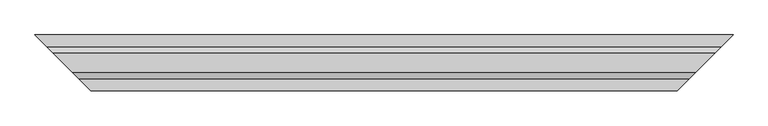
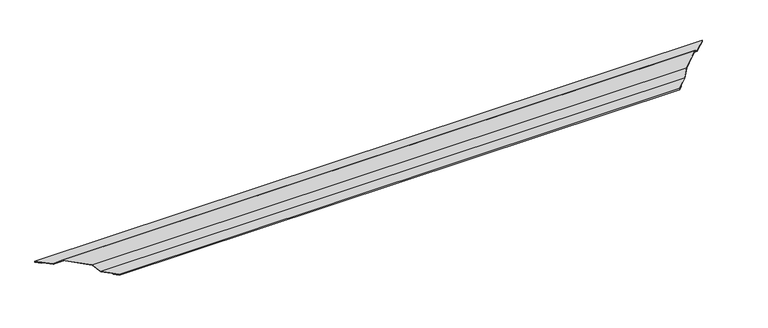
"""IFC4 building model written with IfcOpenShell, lengths in millimetres: proxy geometry."""

from ifc_helpers import new_model, si_unit, origin, place, context, project, spatial, faceted_brep, source, transform, mapped, element, save


def generic_models_2a612c0e(model_context):
    return source(origin(), model_context, "Body", "Brep", [
        faceted_brep([(30.0, -30.0, 5.0), (30.0, -30.0, 2.0), (1480.1249559, -30.0, 2.0), (1480.1249559, -30.0, 5.0), (20.0, -20.0, 2.0), (1490.1249559, -20.0, 2.0), (20.0, -20.0, 3.0), (1490.1249559, -20.0, 3.0), (29.0, -29.0, 3.0), (1481.1249559, -29.0, 3.0), (29.0, -29.0, 4.0), (1481.1249559, -29.0, 4.0), (0.0, 0.0, 4.0), (-0.4142136, 0.4142136, 4.0), (1510.5391695, 0.4142136, 4.0), (1510.1249559, 0.0, 4.0), (-14.5563492, 14.5563492, 18.1421356), (1524.6813051, 14.5563492, 18.1421356), (-63.7279221, 63.7279221, 18.1421356), (1573.852878, 63.7279221, 18.1421356), (-77.8700577, 77.8700577, 4.0), (1587.9950136, 77.8700577, 4.0), (-107.2842712, 107.2842712, 4.0), (1617.4092271, 107.2842712, 4.0), (-107.2842712, 107.2842712, 3.0), (1617.4092271, 107.2842712, 3.0), (-98.2842712, 98.2842712, 3.0), (1608.4092271, 98.2842712, 3.0), (-98.2842712, 98.2842712, 2.0), (1608.4092271, 98.2842712, 2.0), (-108.2842712, 108.2842712, 2.0), (1618.4092271, 108.2842712, 2.0), (-108.2842712, 108.2842712, 5.0), (1618.4092271, 108.2842712, 5.0), (-78.2842712, 78.2842712, 5.0), (1588.4092271, 78.2842712, 5.0), (-64.1421356, 64.1421356, 19.1421356), (1574.2670915, 64.1421356, 19.1421356), (-14.1421356, 14.1421356, 19.1421356), (1524.2670915, 14.1421356, 19.1421356), (0.0, 0.0, 5.0), (1510.1249559, 0.0, 5.0)], [[[0, 1, 2, 3]], [[1, 4, 5, 2]], [[4, 6, 7, 5]], [[6, 8, 9, 7]], [[8, 10, 11, 9]], [[10, 12, 13, 14, 15, 11]], [[13, 16, 17, 14]], [[16, 18, 19, 17]], [[18, 20, 21, 19]], [[20, 22, 23, 21]], [[22, 24, 25, 23]], [[24, 26, 27, 25]], [[26, 28, 29, 27]], [[28, 30, 31, 29]], [[30, 32, 33, 31]], [[32, 34, 35, 33]], [[34, 36, 37, 35]], [[36, 38, 39, 37]], [[38, 40, 41, 39]], [[40, 0, 3, 41]], [[40, 12, 10, 8, 6, 4, 1, 0]], [[12, 40, 38, 36, 34, 32, 30, 28, 26, 24, 22, 20, 18, 16, 13]], [[15, 41, 3, 2, 5, 7, 9, 11]], [[41, 15, 14, 17, 19, 21, 23, 25, 27, 29, 31, 33, 35, 37, 39]]]),
    ])


if __name__ == "__main__":
    model = new_model("IFC4")
    model_context = context("Model", 3, world=origin())
    ifc_project = project(units=[si_unit("LENGTHUNIT", "METRE", prefix="MILLI")], contexts=[model_context])
    site = spatial("IfcSite", under=ifc_project)
    building = spatial("IfcBuilding", under=site)
    placement = place(None, origin())
    generic_models_shape = generic_models_2a612c0e(model_context)
    element("IfcBuildingElementProxy", 1, Name="Generic Models", at=placement, inside=building, context=model_context, shape_type="MappedRepresentation", body=[
        mapped(generic_models_shape, transform((0.0, 0.0, 0.0), x_axis=(1.0, 0.0, 0.0), y_axis=(0.0, 1.0, 0.0), z_axis=(0.0, 0.0, 1.0))),
    ])
    save(model, "model.ifc")
